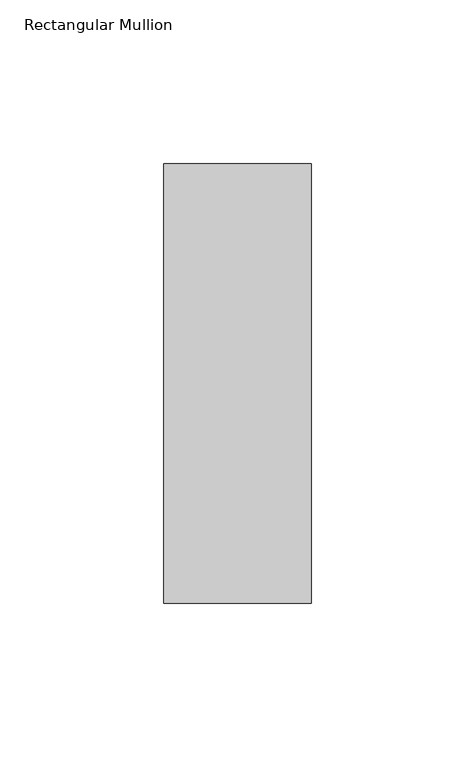
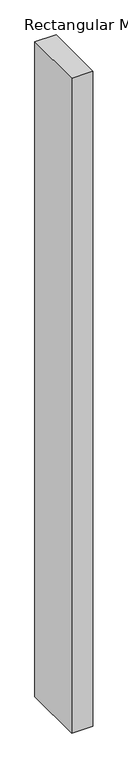
"""IFC4 building model written with IfcOpenShell, lengths in millimetres: member geometry, Rectangular Mullion."""

from ifc_helpers import new_model, si_unit, frame, origin, place, context, project, spatial, polyline, outline, extrude, source, transform, mapped, element, save


def rectangular_mullion_898bb591(model_context):
    return source(origin(), model_context, "Body", "SweptSolid", [
        extrude(outline(polyline([(0.0, 82.60625), (0.0, -51.60625), (-45.0, -51.60625), (-45.0, 82.60625), (0.0, 82.60625)])), frame((0.0, 0.0, -1461.8930608), z_axis=(0.0, 0.0, 1.0), x_axis=(1.0, 0.0, 0.0)), (0.0, 0.0, 1.0), 1461.8930608),
    ])


if __name__ == "__main__":
    model = new_model("IFC4")
    model_context = context("Model", 3, world=origin())
    ifc_project = project(units=[si_unit("LENGTHUNIT", "METRE", prefix="MILLI")], contexts=[model_context])
    site = spatial("IfcSite", under=ifc_project)
    building = spatial("IfcBuilding", under=site)
    placement = place(None, origin())
    rectangular_mullion_shape = rectangular_mullion_898bb591(model_context)
    element("IfcMember", 1, ObjectType="Rectangular Mullion", at=placement, inside=building, context=model_context, shape_type="MappedRepresentation", body=[
        mapped(rectangular_mullion_shape, transform((0.0, 0.0, 0.0), x_axis=(1.0, 0.0, 0.0), y_axis=(0.0, 1.0, 0.0), z_axis=(0.0, 0.0, 1.0))),
    ])
    save(model, "model.ifc")
